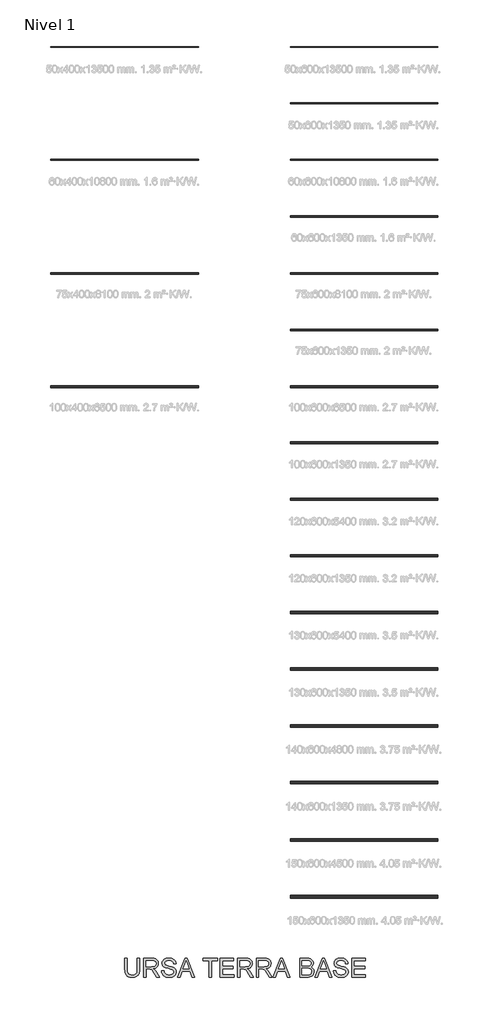
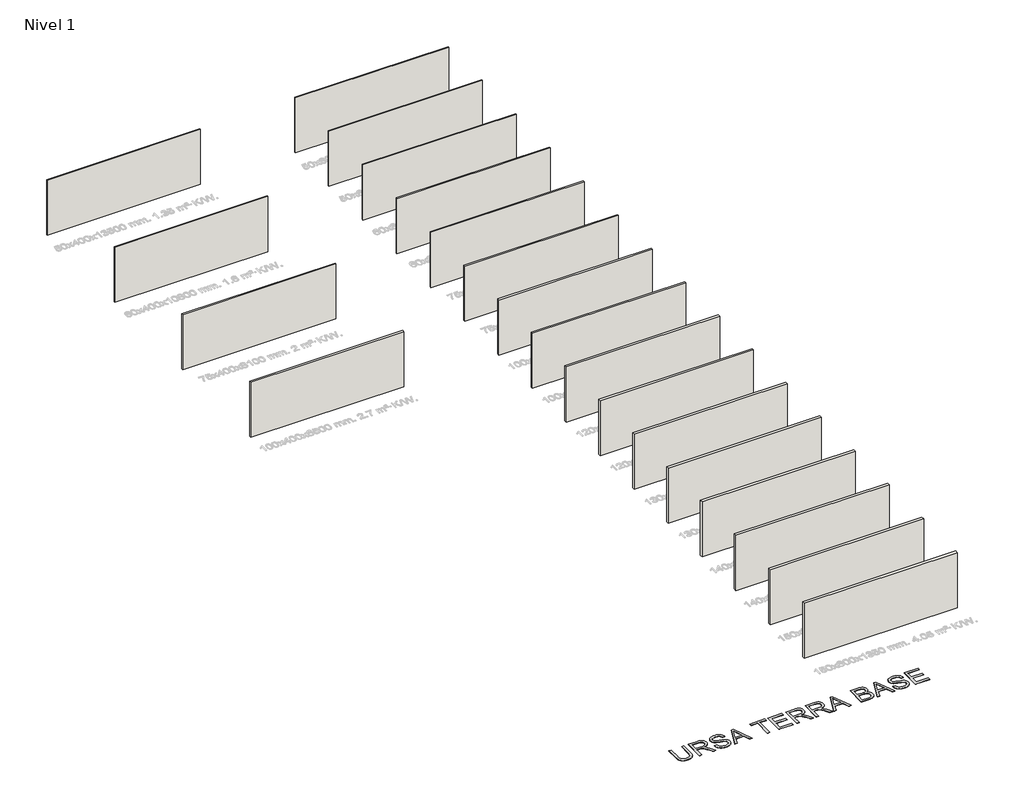
# One storey, part 1 of 21: 20 walls, 1 proxy.
"""IFC4 building model written with IfcOpenShell, lengths in millimetres."""

from ifc_helpers import new_model, si_unit, origin, origin_with_axes, place, context, project, spatial, polyline, outline, extrude, element, save

model = new_model("IFC4")

# Units and contexts
model_context = context("Model", 3, world=origin())
ifc_project = project(units=[si_unit("LENGTHUNIT", "METRE", prefix="MILLI")], contexts=[model_context])

# Site, building, storey
site = spatial("IfcSite", under=ifc_project)
building = spatial("IfcBuilding", under=site)
storey = spatial("IfcBuildingStorey", under=building, Name="Nivel 1", Elevation=0.0)

# Proxy
placement = place(None, origin())
element("IfcBuildingElementProxy", 1, Name="Texto de modelo 2", ObjectType="Texto de modelo 2", at=placement, inside=storey, context=model_context, shape_type="SweptSolid", body=[
    extrude(outline(polyline([(-8415.3049415, -44704.1482547), (-8289.7345538, -44704.1482547), (-8289.7345538, -45283.6850245), (-8291.8652037, -45355.4450061), (-8298.2571533, -45419.4028238), (-8308.9104028, -45475.5584776), (-8323.824952, -45523.9119673), (-8344.288388, -45566.2950388), (-8371.5882977, -45604.5394379), (-8405.7246812, -45638.6451645), (-8446.6975384, -45668.6122187), (-8494.5528546, -45693.022722), (-8549.336615, -45710.4587957), (-8611.0488197, -45720.9204399), (-8679.6894687, -45724.4076547), (-8746.6363276, -45721.3726282), (-8807.1912368, -45712.2675488), (-8861.3541964, -45697.0924165), (-8909.1252063, -45675.8472313), (-8950.5119308, -45648.8462257), (-8985.522034, -45616.4036323), (-9014.1555159, -45578.519451), (-9036.4123767, -45535.1936818), (-9053.097358, -45484.9394684), (-9065.0152018, -45426.2699544), (-9072.1659081, -45359.1851398), (-9074.5494768, -45283.6850245), (-9074.5494768, -44704.1482547), (-8948.9790891, -44704.1482547), (-8948.9790891, -45279.2704405), (-8947.4309191, -45339.9786339), (-8942.7864089, -45392.1182425), (-8935.0455586, -45435.6892663), (-8924.2083681, -45470.6917053), (-8909.6003872, -45499.6547482), (-8890.5471656, -45525.1075838), (-8867.0487031, -45547.050212), (-8839.1049999, -45565.4826328), (-8807.2525505, -45580.0752852), (-8772.0278495, -45590.4986084), (-8733.4308968, -45596.7526023), (-8691.4616925, -45598.837267), (-8622.2538922, -45594.713923), (-8563.7453265, -45582.3438909), (-8515.9359956, -45561.7271707), (-8496.0435431, -45548.3263026), (-8478.8258993, -45532.8637625), (-8463.9381748, -45514.4696628), (-8451.0354802, -45492.2741157), (-8431.1851809, -45436.4786798), (-8419.2750013, -45365.4774547), (-8415.3049415, -45279.2704405), (-8415.3049415, -44704.1482547)])), origin_with_axes(), (0.0, 0.0, 1.0), 10.0),
    extrude(outline(polyline([(-8069.9863753, -45708.7113562), (-8069.9863753, -44704.1482547), (-7637.1118943, -44704.1482547), (-7574.9781582, -44705.8420447), (-7520.7692134, -44710.9234148), (-7474.4850598, -44719.3923649), (-7436.1256976, -44731.248895), (-7403.4608421, -44747.405046), (-7374.2602088, -44768.7728585), (-7348.5237975, -44795.3523327), (-7326.2516084, -44827.1434684), (-7308.2790401, -44862.4371473), (-7295.4414913, -44899.524251), (-7287.738962, -44938.4047794), (-7285.1714523, -44979.0787324), (-7289.4250878, -45030.6741823), (-7302.1859946, -45078.0389891), (-7323.4541724, -45121.1731531), (-7353.2296214, -45160.0766741), (-7391.8955519, -45193.5079504), (-7439.8351744, -45220.2253803), (-7497.0484889, -45240.2289638), (-7563.5354953, -45253.5187008), (-7522.1487708, -45280.5580275), (-7492.1663882, -45307.2294721), (-7440.7242226, -45368.2365697), (-7390.3857029, -45436.4786798), (-7222.8767678, -45708.7113562), (-7368.8032925, -45708.7113562), (-7499.5240281, -45500.4901469), (-7551.8245851, -45421.027636), (-7593.9470736, -45362.6570261), (-7629.0491473, -45322.4659181), (-7660.28846, -45297.5419129), (-7689.8723038, -45282.9186036), (-7720.0079706, -45273.6295832), (-7792.8486056, -45269.2149993), (-7944.4159876, -45269.2149993), (-7944.4159876, -45708.7113562), (-8069.9863753, -45708.7113562)]), holes=[polyline([(-7944.4159876, -45143.6446116), (-7663.3541433, -45143.6446116), (-7582.6347022, -45139.1993708), (-7520.0027925, -45125.8636485), (-7494.8182043, -45115.6395947), (-7472.8525835, -45102.7483965), (-7454.1059301, -45087.1900538), (-7438.5782443, -45068.9645666), (-7426.3998174, -45048.9686473), (-7417.700941, -45028.0990083), (-7412.4816152, -45006.3556495), (-7410.74184, -44983.738571), (-7414.0604421, -44951.6255386), (-7424.0162486, -44922.4862189), (-7440.6092595, -44896.3206119), (-7463.8394746, -44873.1287178), (-7494.2433887, -44854.1368098), (-7532.3574962, -44840.5711613), (-7578.1817972, -44832.4317721), (-7631.7162917, -44829.7186424), (-7944.4159876, -44829.7186424), (-7944.4159876, -45143.6446116)])]), origin_with_axes(), (0.0, 0.0, 1.0), 10.0),
    extrude(outline(polyline([(-7112.5121692, -45363.3927901), (-6986.9417815, -45363.3927901), (-6981.1936253, -45399.9433991), (-6972.53307, -45433.0757713), (-6960.9601156, -45462.7899066), (-6946.4747621, -45489.0858051), (-6928.3412454, -45512.492297), (-6905.8238016, -45533.5382128), (-6878.9224307, -45552.2235525), (-6847.6371327, -45568.548316), (-6813.1175388, -45581.7997321), (-6776.5132803, -45591.2650293), (-6737.8243571, -45596.9442076), (-6697.0507693, -45598.837267), (-6627.0918766, -45593.1044392), (-6595.3773829, -45585.9384045), (-6565.8395244, -45575.905956), (-6539.2064008, -45563.3673113), (-6516.2061119, -45548.6826883), (-6496.8386577, -45531.852087), (-6481.1040382, -45512.8755074), (-6468.9256113, -45492.5730198), (-6460.2267349, -45471.7646945), (-6455.0074091, -45450.4505314), (-6453.2676339, -45428.6305305), (-6458.4792955, -45386.6000126), (-6474.1142802, -45350.2716656), (-6487.2660616, -45334.1538357), (-6505.8747592, -45319.2776075), (-6529.940373, -45305.642981), (-6559.4629031, -45293.2499563), (-6625.7736328, -45273.5376127), (-6742.3002547, -45245.3026696), (-6862.3217557, -45213.5728475), (-6906.1227057, -45198.2827521), (-6939.1171222, -45183.3758671), (-6972.6480332, -45163.3722836), (-7001.6264045, -45141.1307513), (-7026.0522361, -45116.6512702), (-7045.9255281, -45089.9338403), (-7061.3229224, -45061.2543731), (-7072.3210612, -45030.8887801), (-7078.9199445, -44998.8370613), (-7081.1195723, -44965.0992166), (-7078.3987784, -44927.7055447), (-7070.2363966, -44891.5534744), (-7056.632427, -44856.6430059), (-7037.5868695, -44822.9741392), (-7013.3143221, -44791.9187674), (-6984.0293824, -44764.8487839), (-6949.7320506, -44741.7641887), (-6910.4223265, -44722.6649818), (-6867.4261183, -44707.6967831), (-6822.069334, -44697.0052126), (-6774.3519736, -44690.5902704), (-6724.274037, -44688.4519563), (-6669.6435607, -44690.6899051), (-6618.3240224, -44697.4037515), (-6570.315422, -44708.5934955), (-6525.6177596, -44724.2591371), (-6485.0587696, -44744.2627206), (-6449.4661866, -44768.4662902), (-6418.8400105, -44796.8698459), (-6393.1802413, -44829.4733877), (-6372.6861485, -44865.3265539), (-6357.5570014, -44903.4789824), (-6347.7928002, -44943.9306735), (-6343.3935446, -44986.681627), (-6468.9639323, -44986.681627), (-6477.3639045, -44946.6131464), (-6492.0178707, -44911.7563273), (-6512.9258307, -44882.1111699), (-6540.0877847, -44857.677674), (-6574.0095704, -44838.5784671), (-6615.1970254, -44824.9361765), (-6663.6501498, -44816.7508021), (-6719.3689437, -44814.0223439), (-6776.8658339, -44816.7201452), (-6825.9934086, -44824.8135491), (-6866.751668, -44838.3025556), (-6899.140612, -44857.1871647), (-6923.8193625, -44879.8885495), (-6941.4470415, -44904.8278831), (-6952.0236488, -44932.0051655), (-6955.5491846, -44961.4203967), (-6953.0506527, -44986.7276123), (-6945.5550571, -45009.6742517), (-6933.0623976, -45030.260315), (-6915.5726745, -45048.4858022), (-6888.0428385, -45065.7455991), (-6844.6940767, -45083.1893371), (-6785.5263892, -45100.817016), (-6710.5397758, -45118.6286359), (-6572.0935183, -45152.2898385), (-6523.3798108, -45167.5109561), (-6488.3390507, -45181.6590845), (-6449.8417328, -45203.1035391), (-6416.7553458, -45227.2151382), (-6389.0798899, -45253.9938818), (-6366.815365, -45283.4397698), (-6349.701188, -45315.3995181), (-6337.4767759, -45349.7198426), (-6330.1421286, -45386.4007432), (-6327.6972462, -45425.4422199), (-6330.5100106, -45464.7212871), (-6338.9483039, -45502.8507231), (-6353.012126, -45539.8305278), (-6372.7014769, -45575.6607013), (-6397.6714673, -45608.9540219), (-6427.5772079, -45638.3232678), (-6462.4186985, -45663.7684391), (-6502.1959392, -45685.2895359), (-6545.7516346, -45702.4037128), (-6591.9284892, -45714.628125), (-6640.726503, -45721.9627722), (-6692.1456761, -45724.4076547), (-6756.3794053, -45721.771167), (-6815.1715466, -45713.8617041), (-6868.5221001, -45700.679266), (-6916.4310658, -45682.2238526), (-6959.1896835, -45658.464807), (-6997.0891932, -45629.3714726), (-7030.1295949, -45594.9438492), (-7058.3108886, -45555.1819369), (-7081.0122734, -45511.3733226), (-7097.6129484, -45464.8055934), (-7108.1129137, -45415.4787492), (-7112.5121692, -45363.3927901)])), origin_with_axes(), (0.0, 0.0, 1.0), 10.0),
    extrude(outline(polyline([(-6256.3281391, -45708.7113562), (-5855.3367644, -44704.1482547), (-5748.4057311, -44704.1482547), (-5347.4143564, -45708.7113562), (-5480.0971293, -45708.7113562), (-5595.1215664, -45394.785387), (-6008.8661837, -45394.785387), (-6123.6453662, -45708.7113562), (-6256.3281391, -45708.7113562)]), holes=[polyline([(-5962.758307, -45269.2149993), (-5640.9841885, -45269.2149993), (-5731.4831593, -45022.2435532), (-5801.8712477, -44829.7186424), (-5864.4111869, -45000.6611428), (-5962.758307, -45269.2149993)])]), origin_with_axes(), (0.0, 0.0, 1.0), 10.0),
    extrude(outline(polyline([(-4569.7118185, -45708.7113562), (-4569.7118185, -44829.7186424), (-4899.3340862, -44829.7186424), (-4899.3340862, -44704.1482547), (-4114.5191632, -44704.1482547), (-4114.5191632, -44829.7186424), (-4444.1414309, -44829.7186424), (-4444.1414309, -45708.7113562), (-4569.7118185, -45708.7113562)])), origin_with_axes(), (0.0, 0.0, 1.0), 10.0),
    extrude(outline(polyline([(-3973.252477, -45708.7113562), (-3973.252477, -44704.1482547), (-3251.2227478, -44704.1482547), (-3251.2227478, -44829.7186424), (-3847.6820893, -44829.7186424), (-3847.6820893, -45127.9483132), (-3282.6153448, -45127.9483132), (-3282.6153448, -45253.5187008), (-3847.6820893, -45253.5187008), (-3847.6820893, -45583.1409685), (-3235.5264494, -45583.1409685), (-3235.5264494, -45708.7113562), (-3973.252477, -45708.7113562)])), origin_with_axes(), (0.0, 0.0, 1.0), 10.0),
    extrude(outline(polyline([(-3047.1708678, -45708.7113562), (-3047.1708678, -44704.1482547), (-2614.2963869, -44704.1482547), (-2552.1626507, -44705.8420447), (-2497.9537059, -44710.9234148), (-2451.6695524, -44719.3923649), (-2413.3101902, -44731.248895), (-2380.6453347, -44747.405046), (-2351.4447013, -44768.7728585), (-2325.7082901, -44795.3523327), (-2303.4361009, -44827.1434684), (-2285.4635326, -44862.4371473), (-2272.6259838, -44899.524251), (-2264.9234546, -44938.4047794), (-2262.3559448, -44979.0787324), (-2266.6095804, -45030.6741823), (-2279.3704871, -45078.0389891), (-2300.6386649, -45121.1731531), (-2330.4141139, -45160.0766741), (-2369.0800444, -45193.5079504), (-2417.0196669, -45220.2253803), (-2474.2329814, -45240.2289638), (-2540.7199878, -45253.5187008), (-2499.3332634, -45280.5580275), (-2469.3508808, -45307.2294721), (-2417.9087151, -45368.2365697), (-2367.5701954, -45436.4786798), (-2200.0612603, -45708.7113562), (-2345.987785, -45708.7113562), (-2476.7085207, -45500.4901469), (-2529.0090776, -45421.027636), (-2571.1315661, -45362.6570261), (-2606.2336398, -45322.4659181), (-2637.4729525, -45297.5419129), (-2667.0567963, -45282.9186036), (-2697.1924631, -45273.6295832), (-2770.0330981, -45269.2149993), (-2921.6004802, -45269.2149993), (-2921.6004802, -45708.7113562), (-3047.1708678, -45708.7113562)]), holes=[polyline([(-2921.6004802, -45143.6446116), (-2640.5386358, -45143.6446116), (-2559.8191947, -45139.1993708), (-2497.1872851, -45125.8636485), (-2472.0026968, -45115.6395947), (-2450.037076, -45102.7483965), (-2431.2904227, -45087.1900538), (-2415.7627368, -45068.9645666), (-2403.5843099, -45048.9686473), (-2394.8854336, -45028.0990083), (-2389.6661078, -45006.3556495), (-2387.9263325, -44983.738571), (-2391.2449347, -44951.6255386), (-2401.2007411, -44922.4862189), (-2417.793752, -44896.3206119), (-2441.0239671, -44873.1287178), (-2471.4278812, -44854.1368098), (-2509.5419887, -44840.5711613), (-2555.3662898, -44832.4317721), (-2608.9007843, -44829.7186424), (-2921.6004802, -44829.7186424), (-2921.6004802, -45143.6446116)])]), origin_with_axes(), (0.0, 0.0, 1.0), 10.0),
    extrude(outline(polyline([(-2042.6077663, -45708.7113562), (-2042.6077663, -44704.1482547), (-1609.7332854, -44704.1482547), (-1547.5995492, -44705.8420447), (-1493.3906044, -44710.9234148), (-1447.1064509, -44719.3923649), (-1408.7470887, -44731.248895), (-1376.0822332, -44747.405046), (-1346.8815998, -44768.7728585), (-1321.1451886, -44795.3523327), (-1298.8729994, -44827.1434684), (-1280.9004311, -44862.4371473), (-1268.0628823, -44899.524251), (-1260.3603531, -44938.4047794), (-1257.7928433, -44979.0787324), (-1262.0464789, -45030.6741823), (-1274.8073856, -45078.0389891), (-1296.0755634, -45121.1731531), (-1325.8510124, -45160.0766741), (-1364.5169429, -45193.5079504), (-1412.4565654, -45220.2253803), (-1469.6698799, -45240.2289638), (-1536.1568863, -45253.5187008), (-1494.7701619, -45280.5580275), (-1464.7877793, -45307.2294721), (-1413.3456136, -45368.2365697), (-1363.0070939, -45436.4786798), (-1195.4981588, -45708.7113562), (-1341.4246835, -45708.7113562), (-1472.1454192, -45500.4901469), (-1524.4459761, -45421.027636), (-1566.5684646, -45362.6570261), (-1601.6705383, -45322.4659181), (-1632.9098511, -45297.5419129), (-1662.4936948, -45282.9186036), (-1692.6293616, -45273.6295832), (-1765.4699966, -45269.2149993), (-1917.0373787, -45269.2149993), (-1917.0373787, -45708.7113562), (-2042.6077663, -45708.7113562)]), holes=[polyline([(-1917.0373787, -45143.6446116), (-1635.9755343, -45143.6446116), (-1555.2560932, -45139.1993708), (-1492.6241836, -45125.8636485), (-1467.4395953, -45115.6395947), (-1445.4739745, -45102.7483965), (-1426.7273212, -45087.1900538), (-1411.1996353, -45068.9645666), (-1399.0212084, -45048.9686473), (-1390.3223321, -45028.0990083), (-1385.1030063, -45006.3556495), (-1383.363231, -44983.738571), (-1386.6818332, -44951.6255386), (-1396.6376397, -44922.4862189), (-1413.2306505, -44896.3206119), (-1436.4608656, -44873.1287178), (-1466.8647797, -44854.1368098), (-1504.9788872, -44840.5711613), (-1550.8031883, -44832.4317721), (-1604.3376828, -44829.7186424), (-1917.0373787, -44829.7186424), (-1917.0373787, -45143.6446116)])]), origin_with_axes(), (0.0, 0.0, 1.0), 10.0),
    extrude(outline(polyline([(-1155.0311393, -45708.7113562), (-754.0397646, -44704.1482547), (-647.1087313, -44704.1482547), (-246.1173566, -45708.7113562), (-378.8001295, -45708.7113562), (-493.8245667, -45394.785387), (-907.5691839, -45394.785387), (-1022.3483664, -45708.7113562), (-1155.0311393, -45708.7113562)]), holes=[polyline([(-861.4613072, -45269.2149993), (-539.6871887, -45269.2149993), (-630.1861595, -45022.2435532), (-700.5742479, -44829.7186424), (-763.1141871, -45000.6611428), (-861.4613072, -45269.2149993)])]), origin_with_axes(), (0.0, 0.0, 1.0), 10.0),
    extrude(outline(polyline([(280.4444059, -45708.7113562), (280.4444059, -44704.1482547), (663.7774448, -44704.1482547), (719.3812756, -44705.9953289), (769.2062933, -44711.5365515), (813.252498, -44720.7719224), (851.5198897, -44733.7014417), (884.9818229, -44750.4630651), (914.6116519, -44771.1947483), (940.4093768, -44795.8964915), (962.3749976, -44824.5682945), (979.9183702, -44855.5930094), (992.4493507, -44887.3534883), (999.967939, -44919.8497312), (1002.4741351, -44953.0817381), (1000.3664778, -44983.7768921), (994.043506, -45013.5676695), (983.5052197, -45042.4540703), (968.7516188, -45070.4360946), (949.7367182, -45096.6400225), (926.4145326, -45120.1921344), (898.7850619, -45141.0924303), (866.8483062, -45159.3409101), (904.7478159, -45175.497061), (938.0028154, -45196.4969916), (966.6133047, -45222.3407018), (990.5792839, -45253.0281915), (1009.5175424, -45287.6244275), (1023.04487, -45325.1943762), (1031.1612665, -45365.7380378), (1033.866732, -45409.2554121), (1032.0196578, -45444.916973), (1026.4784352, -45479.3062754), (1017.2430643, -45512.4233192), (1004.313545, -45544.2681044), (988.6555676, -45573.6833356), (971.2348223, -45599.5117173), (952.0513091, -45621.7532496), (931.105028, -45640.4079324), (907.9054697, -45656.2421866), (881.9621248, -45670.0224331), (821.8440754, -45691.4209024), (748.7888426, -45704.3887428), (660.8343889, -45708.7113562), (280.4444059, -45708.7113562)]), holes=[polyline([(406.0147935, -45112.2520147), (635.3279039, -45112.2520147), (715.5261788, -45109.5542134), (769.2369501, -45101.4608095), (794.3219037, -45093.3137562), (816.1112477, -45082.8521119), (834.6049821, -45070.0758768), (849.8031071, -45054.9850508), (861.6596372, -45037.6869328), (870.1285873, -45018.2888218), (875.2099574, -44996.7907177), (876.9037474, -44973.1926205), (875.3249205, -44950.5985347), (870.5884398, -44929.4146631), (862.6943053, -44909.6410059), (851.642517, -44891.2775629), (837.6476728, -44875.0064488), (820.9243704, -44861.5097782), (801.4726099, -44850.7875508), (779.2923913, -44842.8397669), (715.4035515, -44832.9989235), (617.9148228, -44829.7186424), (406.0147935, -44829.7186424), (406.0147935, -45112.2520147)]), polyline([(406.0147935, -45583.1409685), (663.5321902, -45583.1409685), (719.9407628, -45581.9146952), (756.7289623, -45578.2358753), (799.9857536, -45567.3526996), (835.5783366, -45550.8899803), (864.5183869, -45527.3148758), (887.8175799, -45495.0945443), (903.1766532, -45455.6698572), (908.2963443, -45410.4816855), (906.7941595, -45383.3197315), (902.287605, -45357.9971875), (894.776681, -45334.5140535), (884.2613873, -45312.8703294), (870.3815062, -45293.6868162), (852.7768199, -45277.5843147), (831.4473283, -45264.5628249), (806.3930316, -45254.6223468), (776.5102837, -45247.2723711), (740.6954387, -45242.0223885), (651.269457, -45237.8224024), (406.0147935, -45237.8224024), (406.0147935, -45583.1409685)])]), origin_with_axes(), (0.0, 0.0, 1.0), 10.0),
    extrude(outline(polyline([(1089.5395406, -45708.7113562), (1490.5309153, -44704.1482547), (1597.4619486, -44704.1482547), (1998.4533233, -45708.7113562), (1865.7705504, -45708.7113562), (1750.7461133, -45394.785387), (1337.001496, -45394.785387), (1222.2223135, -45708.7113562), (1089.5395406, -45708.7113562)]), holes=[polyline([(1383.1093727, -45269.2149993), (1704.8834912, -45269.2149993), (1614.3845204, -45022.2435532), (1543.996432, -44829.7186424), (1481.4564928, -45000.6611428), (1383.1093727, -45269.2149993)])]), origin_with_axes(), (0.0, 0.0, 1.0), 10.0),
    extrude(outline(polyline([(2085.5187289, -45363.3927901), (2211.0891165, -45363.3927901), (2216.8372727, -45399.9433991), (2225.497828, -45433.0757713), (2237.0707825, -45462.7899066), (2251.556136, -45489.0858051), (2269.6896527, -45512.492297), (2292.2070965, -45533.5382128), (2319.1084674, -45552.2235525), (2350.3937654, -45568.548316), (2384.9133593, -45581.7997321), (2421.5176178, -45591.2650293), (2460.206541, -45596.9442076), (2500.9801287, -45598.837267), (2570.9390215, -45593.1044392), (2602.6535152, -45585.9384045), (2632.1913737, -45575.905956), (2658.8244973, -45563.3673113), (2681.8247862, -45548.6826883), (2701.1922404, -45531.852087), (2716.9268599, -45512.8755074), (2729.1052868, -45492.5730198), (2737.8041631, -45471.7646945), (2743.023489, -45450.4505314), (2744.7632642, -45428.6305305), (2739.5516026, -45386.6000126), (2723.9166178, -45350.2716656), (2710.7648365, -45334.1538357), (2692.1561389, -45319.2776075), (2668.0905251, -45305.642981), (2638.5679949, -45293.2499563), (2572.2572653, -45273.5376127), (2455.7306433, -45245.3026696), (2335.7091424, -45213.5728475), (2291.9081924, -45198.2827521), (2258.9137759, -45183.3758671), (2225.3828649, -45163.3722836), (2196.4044936, -45141.1307513), (2171.9786619, -45116.6512702), (2152.10537, -45089.9338403), (2136.7079756, -45061.2543731), (2125.7098368, -45030.8887801), (2119.1109535, -44998.8370613), (2116.9113258, -44965.0992166), (2119.6321197, -44927.7055447), (2127.7945015, -44891.5534744), (2141.3984711, -44856.6430059), (2160.4440285, -44822.9741392), (2184.716576, -44791.9187674), (2214.0015157, -44764.8487839), (2248.2988475, -44741.7641887), (2287.6085715, -44722.6649818), (2330.6047797, -44707.6967831), (2375.9615641, -44697.0052126), (2423.6789245, -44690.5902704), (2473.7568611, -44688.4519563), (2528.3873374, -44690.6899051), (2579.7068757, -44697.4037515), (2627.7154761, -44708.5934955), (2672.4131385, -44724.2591371), (2712.9721285, -44744.2627206), (2748.5647115, -44768.4662902), (2779.1908876, -44796.8698459), (2804.8506568, -44829.4733877), (2825.3447496, -44865.3265539), (2840.4738966, -44903.4789824), (2850.2380979, -44943.9306735), (2854.6373534, -44986.681627), (2729.0669658, -44986.681627), (2720.6669935, -44946.6131464), (2706.0130274, -44911.7563273), (2685.1050673, -44882.1111699), (2657.9431134, -44857.677674), (2624.0213277, -44838.5784671), (2582.8338727, -44824.9361765), (2534.3807482, -44816.7508021), (2478.6619544, -44814.0223439), (2421.1650642, -44816.7201452), (2372.0374894, -44824.8135491), (2331.2792301, -44838.3025556), (2298.8902861, -44857.1871647), (2274.2115356, -44879.8885495), (2256.5838566, -44904.8278831), (2246.0072493, -44932.0051655), (2242.4817135, -44961.4203967), (2244.9802454, -44986.7276123), (2252.475841, -45009.6742517), (2264.9685004, -45030.260315), (2282.4582236, -45048.4858022), (2309.9880596, -45065.7455991), (2353.3368214, -45083.1893371), (2412.5045089, -45100.817016), (2487.4911223, -45118.6286359), (2625.9373798, -45152.2898385), (2674.6510873, -45167.5109561), (2709.6918473, -45181.6590845), (2748.1891653, -45203.1035391), (2781.2755522, -45227.2151382), (2808.9510082, -45253.9938818), (2831.2155331, -45283.4397698), (2848.3297101, -45315.3995181), (2860.5541222, -45349.7198426), (2867.8887695, -45386.4007432), (2870.3336519, -45425.4422199), (2867.5208875, -45464.7212871), (2859.0825942, -45502.8507231), (2845.0187721, -45539.8305278), (2825.3294212, -45575.6607013), (2800.3594307, -45608.9540219), (2770.4536902, -45638.3232678), (2735.6121996, -45663.7684391), (2695.8349589, -45685.2895359), (2652.2792635, -45702.4037128), (2606.1024089, -45714.628125), (2557.3043951, -45721.9627722), (2505.885222, -45724.4076547), (2441.6514928, -45721.771167), (2382.8593515, -45713.8617041), (2329.508798, -45700.679266), (2281.5998323, -45682.2238526), (2238.8412146, -45658.464807), (2200.9417048, -45629.3714726), (2167.9013032, -45594.9438492), (2139.7200095, -45555.1819369), (2117.0186247, -45511.3733226), (2100.4179497, -45464.8055934), (2089.9179844, -45415.4787492), (2085.5187289, -45363.3927901)])), origin_with_axes(), (0.0, 0.0, 1.0), 10.0),
    extrude(outline(polyline([(3058.6892334, -45708.7113562), (3058.6892334, -44704.1482547), (3780.7189626, -44704.1482547), (3780.7189626, -44829.7186424), (3184.2596211, -44829.7186424), (3184.2596211, -45127.9483132), (3749.3263657, -45127.9483132), (3749.3263657, -45253.5187008), (3184.2596211, -45253.5187008), (3184.2596211, -45583.1409685), (3796.4152611, -45583.1409685), (3796.4152611, -45708.7113562), (3058.6892334, -45708.7113562)])), origin_with_axes(), (0.0, 0.0, 1.0), 10.0),
])

# Walls
element("IfcWall", 2, at=placement, inside=storey, context=model_context, shape_type="SweptSolid", body=[
    extrude(outline(polyline([(7668.7582768, 950.3831431), (-231.2417232, 950.3831431), (-231.2417232, 1000.3831431), (7668.7582768, 1000.3831431), (7668.7582768, 950.3831431)])), origin_with_axes(), (0.0, 0.0, 1.0), 3000.0),
])
element("IfcWall", 3, at=placement, inside=storey, context=model_context, shape_type="SweptSolid", body=[
    extrude(outline(polyline([(-5131.2417232, 3950.3831431), (-13031.2417232, 3950.3831431), (-13031.2417232, 4000.3831431), (-5131.2417232, 4000.3831431), (-5131.2417232, 3950.3831431)])), origin_with_axes(), (0.0, 0.0, 1.0), 3000.0),
])
element("IfcWall", 4, at=placement, inside=storey, context=model_context, shape_type="SweptSolid", body=[
    extrude(outline(polyline([(7668.7582768, -2084.6168569), (-231.2417232, -2084.6168569), (-231.2417232, -2024.6168569), (7668.7582768, -2024.6168569), (7668.7582768, -2084.6168569)])), origin_with_axes(), (0.0, 0.0, 1.0), 3000.0),
])
element("IfcWall", 5, at=placement, inside=storey, context=model_context, shape_type="SweptSolid", body=[
    extrude(outline(polyline([(7668.7582768, -5109.6168569), (-231.2417232, -5109.6168569), (-231.2417232, -5049.6168569), (7668.7582768, -5049.6168569), (7668.7582768, -5109.6168569)])), origin_with_axes(), (0.0, 0.0, 1.0), 3000.0),
])
element("IfcWall", 6, at=placement, inside=storey, context=model_context, shape_type="SweptSolid", body=[
    extrude(outline(polyline([(7668.7582768, -8149.6168569), (-231.2417232, -8149.6168569), (-231.2417232, -8074.6168569), (7668.7582768, -8074.6168569), (7668.7582768, -8149.6168569)])), origin_with_axes(), (0.0, 0.0, 1.0), 3000.0),
])
element("IfcWall", 7, at=placement, inside=storey, context=model_context, shape_type="SweptSolid", body=[
    extrude(outline(polyline([(7668.7582768, -11174.6168569), (-231.2417232, -11174.6168569), (-231.2417232, -11099.6168569), (7668.7582768, -11099.6168569), (7668.7582768, -11174.6168569)])), origin_with_axes(), (0.0, 0.0, 1.0), 3000.0),
])
element("IfcWall", 8, at=placement, inside=storey, context=model_context, shape_type="SweptSolid", body=[
    extrude(outline(polyline([(7668.7582768, -14224.6168569), (-231.2417232, -14224.6168569), (-231.2417232, -14124.6168569), (7668.7582768, -14124.6168569), (7668.7582768, -14224.6168569)])), origin_with_axes(), (0.0, 0.0, 1.0), 3000.0),
])
element("IfcWall", 9, at=placement, inside=storey, context=model_context, shape_type="SweptSolid", body=[
    extrude(outline(polyline([(7668.7582768, 3950.3831431), (-231.2417232, 3950.3831431), (-231.2417232, 4000.3831431), (7668.7582768, 4000.3831431), (7668.7582768, 3950.3831431)])), origin_with_axes(), (0.0, 0.0, 1.0), 3000.0),
])
element("IfcWall", 10, at=placement, inside=storey, context=model_context, shape_type="SweptSolid", body=[
    extrude(outline(polyline([(7668.7582768, -20238.6168569), (-231.2417232, -20238.6168569), (-231.2417232, -20118.6168569), (7668.7582768, -20118.6168569), (7668.7582768, -20238.6168569)])), origin_with_axes(), (0.0, 0.0, 1.0), 3000.0),
])
element("IfcWall", 11, at=placement, inside=storey, context=model_context, shape_type="SweptSolid", body=[
    extrude(outline(polyline([(7668.7582768, -23263.6168569), (-231.2417232, -23263.6168569), (-231.2417232, -23143.6168569), (7668.7582768, -23143.6168569), (7668.7582768, -23263.6168569)])), origin_with_axes(), (0.0, 0.0, 1.0), 3000.0),
])
element("IfcWall", 12, at=placement, inside=storey, context=model_context, shape_type="SweptSolid", body=[
    extrude(outline(polyline([(7668.7582768, -26298.6168569), (-231.2417232, -26298.6168569), (-231.2417232, -26168.6168569), (7668.7582768, -26168.6168569), (7668.7582768, -26298.6168569)])), origin_with_axes(), (0.0, 0.0, 1.0), 3000.0),
])
element("IfcWall", 13, at=placement, inside=storey, context=model_context, shape_type="SweptSolid", body=[
    extrude(outline(polyline([(7668.7582768, -29323.6168569), (-231.2417232, -29323.6168569), (-231.2417232, -29193.6168569), (7668.7582768, -29193.6168569), (7668.7582768, -29323.6168569)])), origin_with_axes(), (0.0, 0.0, 1.0), 3000.0),
])
element("IfcWall", 14, at=placement, inside=storey, context=model_context, shape_type="SweptSolid", body=[
    extrude(outline(polyline([(7668.7582768, -32358.6168569), (-231.2417232, -32358.6168569), (-231.2417232, -32218.6168569), (7668.7582768, -32218.6168569), (7668.7582768, -32358.6168569)])), origin_with_axes(), (0.0, 0.0, 1.0), 3000.0),
])
element("IfcWall", 15, at=placement, inside=storey, context=model_context, shape_type="SweptSolid", body=[
    extrude(outline(polyline([(7668.7582768, -35383.6168569), (-231.2417232, -35383.6168569), (-231.2417232, -35243.6168569), (7668.7582768, -35243.6168569), (7668.7582768, -35383.6168569)])), origin_with_axes(), (0.0, 0.0, 1.0), 3000.0),
])
element("IfcWall", 16, at=placement, inside=storey, context=model_context, shape_type="SweptSolid", body=[
    extrude(outline(polyline([(7668.7582768, -17218.6168569), (-231.2417232, -17218.6168569), (-231.2417232, -17118.6168569), (7668.7582768, -17118.6168569), (7668.7582768, -17218.6168569)])), origin_with_axes(), (0.0, 0.0, 1.0), 3000.0),
])
element("IfcWall", 17, at=placement, inside=storey, context=model_context, shape_type="SweptSolid", body=[
    extrude(outline(polyline([(7668.7582768, -38458.6168569), (-231.2417232, -38458.6168569), (-231.2417232, -38308.6168569), (7668.7582768, -38308.6168569), (7668.7582768, -38458.6168569)])), origin_with_axes(), (0.0, 0.0, 1.0), 3000.0),
])
element("IfcWall", 18, at=placement, inside=storey, context=model_context, shape_type="SweptSolid", body=[
    extrude(outline(polyline([(7668.7582768, -41483.6168569), (-231.2417232, -41483.6168569), (-231.2417232, -41333.6168569), (7668.7582768, -41333.6168569), (7668.7582768, -41483.6168569)])), origin_with_axes(), (0.0, 0.0, 1.0), 3000.0),
])
element("IfcWall", 19, at=placement, inside=storey, context=model_context, shape_type="SweptSolid", body=[
    extrude(outline(polyline([(-5131.2417232, -2084.6168569), (-13031.2417232, -2084.6168569), (-13031.2417232, -2024.6168569), (-5131.2417232, -2024.6168569), (-5131.2417232, -2084.6168569)])), origin_with_axes(), (0.0, 0.0, 1.0), 3000.0),
])
element("IfcWall", 20, at=placement, inside=storey, context=model_context, shape_type="SweptSolid", body=[
    extrude(outline(polyline([(-5131.2417232, -8149.6168569), (-13031.2417232, -8149.6168569), (-13031.2417232, -8074.6168569), (-5131.2417232, -8074.6168569), (-5131.2417232, -8149.6168569)])), origin_with_axes(), (0.0, 0.0, 1.0), 3000.0),
])
element("IfcWall", 21, at=placement, inside=storey, context=model_context, shape_type="SweptSolid", body=[
    extrude(outline(polyline([(-5131.2417232, -14224.6168569), (-13031.2417232, -14224.6168569), (-13031.2417232, -14124.6168569), (-5131.2417232, -14124.6168569), (-5131.2417232, -14224.6168569)])), origin_with_axes(), (0.0, 0.0, 1.0), 3000.0),
])

save(model, "model.ifc")
